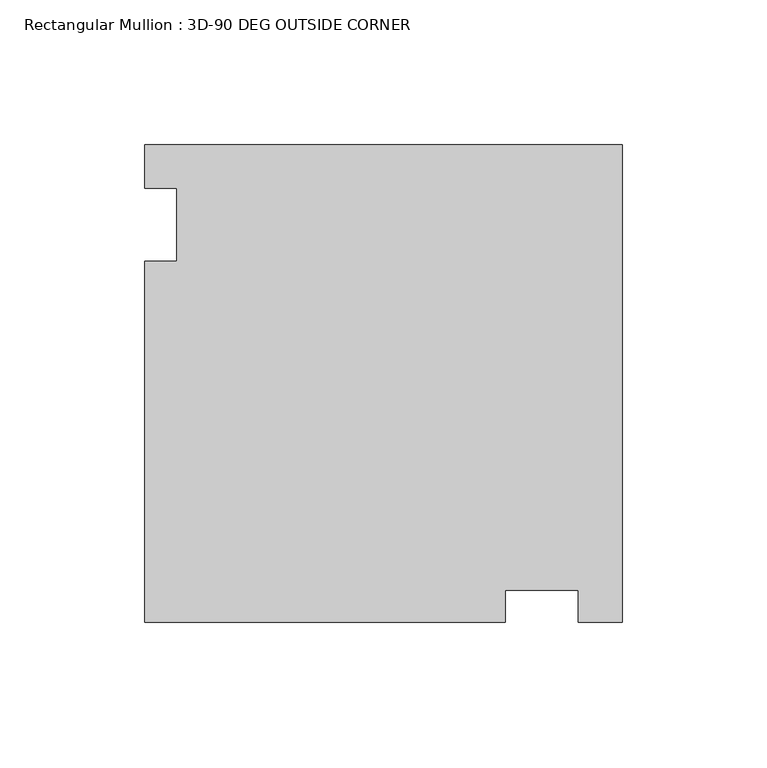
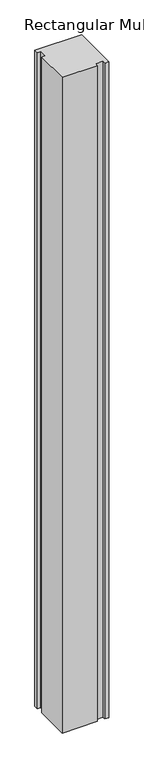
"""IFC4 building model written with IfcOpenShell, lengths in millimetres: member geometry, Rectangular Mullion : 3D-90 DEG OUTSIDE CORNER."""

from ifc_helpers import new_model, si_unit, frame, origin, place, context, project, spatial, polyline, outline, extrude, source, transform, mapped, element, save


def rectangular_mullion_3d_90_deg_outside_corner_14d7daf4(model_context):
    return source(origin(), model_context, "Body", "SweptSolid", [
        extrude(outline(polyline([(-165.0999861, 37.828848), (-153.9874861, 37.828848), (-153.9874861, 63.0743125), (-165.0999861, 63.0743125), (-165.0999861, 78.184368), (0.0, 78.184368), (0.0, -86.915618), (-15.1264516, -86.915618), (-15.1264516, -75.803118), (-40.35552, -75.803118), (-40.35552, -86.915618), (-165.0999861, -86.915618), (-165.0999861, 37.828848)])), frame((0.0, 0.0, -2438.4), z_axis=(0.0, 0.0, 1.0), x_axis=(1.0, 0.0, 0.0)), (0.0, 0.0, 1.0), 2438.4),
    ])


if __name__ == "__main__":
    model = new_model("IFC4")
    model_context = context("Model", 3, world=origin())
    ifc_project = project(units=[si_unit("LENGTHUNIT", "METRE", prefix="MILLI")], contexts=[model_context])
    site = spatial("IfcSite", under=ifc_project)
    building = spatial("IfcBuilding", under=site)
    placement = place(None, origin())
    rectangular_mullion_3d_90_deg_outside_corner_shape = rectangular_mullion_3d_90_deg_outside_corner_14d7daf4(model_context)
    element("IfcMember", 1, ObjectType="Rectangular Mullion : 3D-90 DEG OUTSIDE CORNER", at=placement, inside=building, context=model_context, shape_type="MappedRepresentation", body=[
        mapped(rectangular_mullion_3d_90_deg_outside_corner_shape, transform((0.0, 0.0, 0.0), x_axis=(1.0, 0.0, 0.0), y_axis=(0.0, 1.0, 0.0), z_axis=(0.0, 0.0, 1.0))),
    ])
    save(model, "model.ifc")
